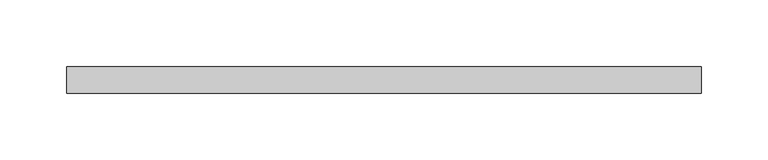
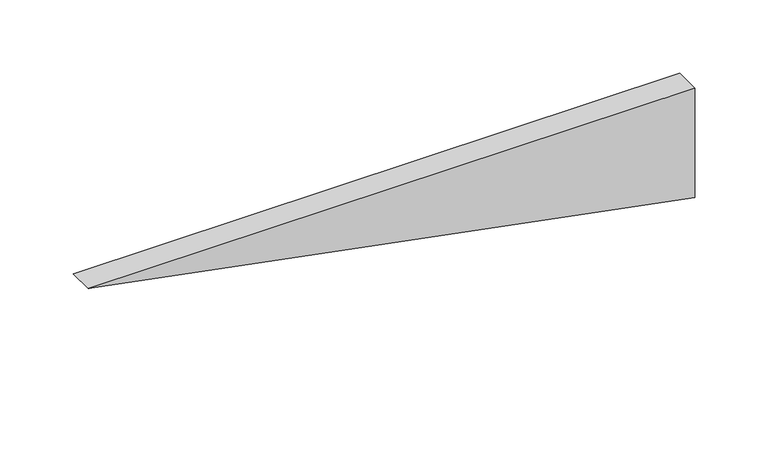
"""IFC4 building model written with IfcOpenShell, lengths in millimetres: plate geometry."""

from ifc_helpers import new_model, si_unit, frame, origin, place, context, project, spatial, polyline, outline, extrude, source, transform, mapped, element, save


def plate_f53ea203(model_context):
    return source(origin(), model_context, "Body", "SweptSolid", [
        extrude(outline(polyline([(91.2218913, -238.4208523), (0.0, 238.4208523), (91.2218913, 238.4208523), (91.2218913, -238.4208523)])), frame((0.0, 20.0, 0.0), z_axis=(0.0, 1.0, 0.0), x_axis=(0.0, 0.0, 1.0)), (0.0, 0.0, 1.0), 20.0),
    ])


if __name__ == "__main__":
    model = new_model("IFC4")
    model_context = context("Model", 3, world=origin())
    ifc_project = project(units=[si_unit("LENGTHUNIT", "METRE", prefix="MILLI")], contexts=[model_context])
    site = spatial("IfcSite", under=ifc_project)
    building = spatial("IfcBuilding", under=site)
    placement = place(None, origin())
    plate_shape = plate_f53ea203(model_context)
    element("IfcPlate", 1, at=placement, inside=building, context=model_context, shape_type="MappedRepresentation", body=[
        mapped(plate_shape, transform((0.0, 0.0, 0.0), x_axis=(1.0, 0.0, 0.0), y_axis=(0.0, 1.0, 0.0), z_axis=(0.0, 0.0, 1.0))),
    ])
    save(model, "model.ifc")
